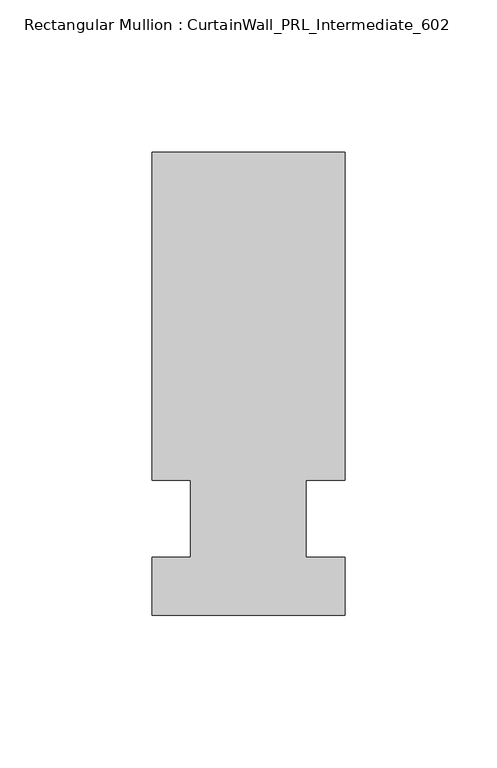
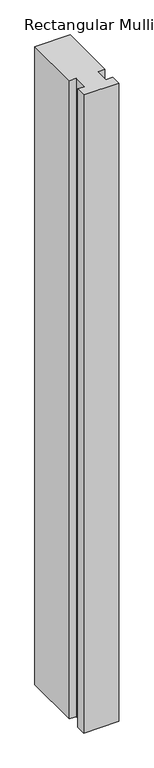
"""IFC4 building model written with IfcOpenShell, lengths in millimetres: member geometry, Rectangular Mullion : CurtainWall_PRL_Intermediate_602."""

from ifc_helpers import new_model, si_unit, frame, origin, place, context, project, spatial, polyline, outline, extrude, source, transform, mapped, element, save


def rectangular_mullion_curtainwall_prl_intermediate_602_6d5e720c(model_context):
    return source(origin(), model_context, "Body", "SweptSolid", [
        extrude(outline(polyline([(-19.05, 12.7), (-31.75, 12.7), (-31.75, 120.65), (31.75, 120.65), (31.75, 12.7), (19.05, 12.7), (19.05, -12.7), (31.75, -12.7), (31.75, -31.75), (-31.75, -31.75), (-31.75, -12.7), (-19.05, -12.7), (-19.05, 12.7)])), frame((0.0, 0.0, -1219.2), z_axis=(0.0, 0.0, 1.0), x_axis=(1.0, 0.0, 0.0)), (0.0, 0.0, 1.0), 1219.2),
    ])


if __name__ == "__main__":
    model = new_model("IFC4")
    model_context = context("Model", 3, world=origin())
    ifc_project = project(units=[si_unit("LENGTHUNIT", "METRE", prefix="MILLI")], contexts=[model_context])
    site = spatial("IfcSite", under=ifc_project)
    building = spatial("IfcBuilding", under=site)
    placement = place(None, origin())
    rectangular_mullion_curtainwall_prl_intermediate_602_shape = rectangular_mullion_curtainwall_prl_intermediate_602_6d5e720c(model_context)
    element("IfcMember", 1, ObjectType="Rectangular Mullion : CurtainWall_PRL_Intermediate_602", at=placement, inside=building, context=model_context, shape_type="MappedRepresentation", body=[
        mapped(rectangular_mullion_curtainwall_prl_intermediate_602_shape, transform((0.0, 0.0, 0.0), x_axis=(1.0, 0.0, 0.0), y_axis=(0.0, 1.0, 0.0), z_axis=(0.0, 0.0, 1.0))),
    ])
    save(model, "model.ifc")
